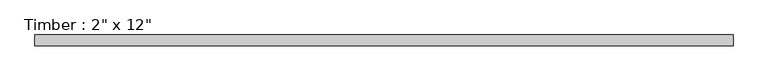
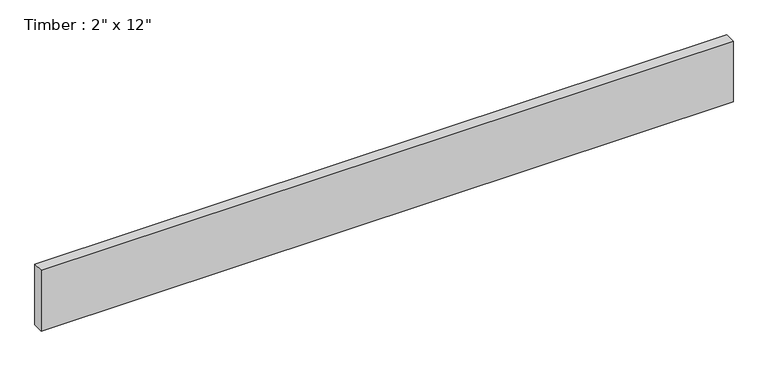
"""IFC4 building model written with IfcOpenShell, lengths in millimetres: beam geometry."""

from ifc_helpers import new_model, si_unit, frame, origin, place, context, project, spatial, polyline, outline, extrude, source, transform, mapped, element, save


def beam_b33eb3ae(model_context):
    return source(origin(), model_context, "Body", "SweptSolid", [
        extrude(outline(polyline([(1640.3714729, 25.4), (1640.3714729, -25.4), (-1640.3714729, -25.4), (-1640.3714729, 25.4), (1640.3714729, 25.4)])), frame((0.0, 0.0, -152.4), z_axis=(0.0, 0.0, 1.0), x_axis=(1.0, 0.0, 0.0)), (0.0, 0.0, 1.0), 304.8),
    ])


if __name__ == "__main__":
    model = new_model("IFC4")
    model_context = context("Model", 3, world=origin())
    ifc_project = project(units=[si_unit("LENGTHUNIT", "METRE", prefix="MILLI")], contexts=[model_context])
    site = spatial("IfcSite", under=ifc_project)
    building = spatial("IfcBuilding", under=site)
    placement = place(None, origin())
    beam_shape = beam_b33eb3ae(model_context)
    element("IfcBeam", 1, ObjectType="Timber : 2\" x 12\"", at=placement, inside=building, context=model_context, shape_type="MappedRepresentation", body=[
        mapped(beam_shape, transform((0.0, 0.0, 0.0), x_axis=(1.0, 0.0, 0.0), y_axis=(0.0, 1.0, 0.0), z_axis=(0.0, 0.0, 1.0))),
    ])
    save(model, "model.ifc")
